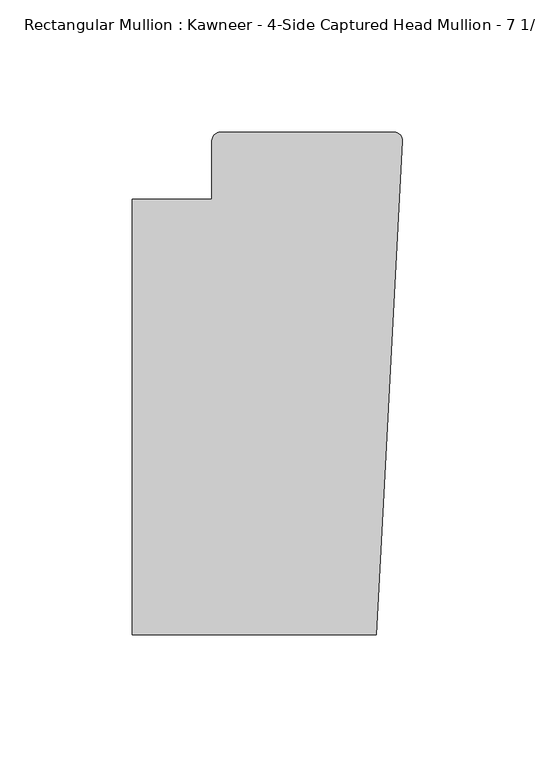
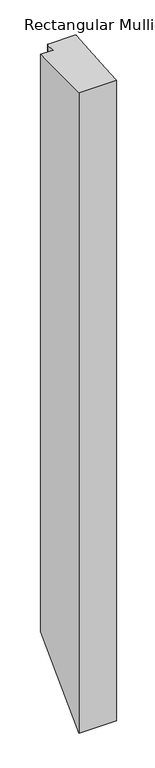
"""IFC4 building model written with IfcOpenShell, lengths in millimetres: member geometry."""

from ifc_helpers import new_model, si_unit, frame, origin, place, context, project, spatial, circle_curve, ellipse_curve, source, transform, mapped, element, save
from ifc_brep_helpers import plane_surface, cylinder_surface, advanced_brep


def member_913ac109(model_context):
    return source(origin(), model_context, "Body", "AdvancedBrep", [
        advanced_brep(
        [(-9.7860662, -151.892, 0.0), (-6.9873394, -98.4891117, 0.0), (-0.0041105, 34.7588278, 0.0), (-3.175, 38.0999944, 0.0), (-68.798975, 38.0999944, 0.0), (-71.9739395, 34.9099677, 0.0), (-71.9739395, 12.7, 0.0), (-102.08978, 12.7, 0.0), (-102.08978, -151.892, 0.0), (-9.7860662, -151.892, -1674.8225615), (-6.9873394, -98.4891117, -1621.4196732), (-0.0061551, 34.7198154, -1488.2107209), (-3.175, 38.0999944, -1484.830567), (-68.798975, 38.0999944, -1484.830567), (-71.9739395, 34.9099677, -1488.0205937), (-71.9739395, 12.7, -1510.2305615), (-102.08978, 12.7, -1510.2305615), (-102.08978, -151.892, -1674.8225615)],
        [
            (0, 1),
            (1, 2),
            (2, 3, circle_curve(frame((-3.175, 34.9249944, 0.0), z_axis=(0.0, 0.0, 1.0), x_axis=(0.0, 1.0, 0.0)), 3.175)),
            (3, 4),
            (4, 5, circle_curve(frame((-68.798975, 34.9249944, 0.0), z_axis=(0.0, 0.0, 1.0), x_axis=(-0.9999888001458095, -0.004732819766726053, 0.0)), 3.175)),
            (5, 6),
            (6, 7),
            (7, 8),
            (8, 0),
            (0, 9),
            (9, 10),
            (10, 1),
            (10, 11),
            (11, 2),
            (11, 12, ellipse_curve(frame((-3.175, 34.9249944, -1488.005567), z_axis=(0.0, -0.7071067811865481, 0.707106781186547), x_axis=(0.0, 0.7071067811865469, 0.707106781186548)), 4.4901281, 3.175)),
            (12, 3),
            (12, 13),
            (13, 4),
            (13, 14, ellipse_curve(frame((-68.798975, 34.9249944, -1488.005567), z_axis=(0.0, -0.7071067811865481, 0.707106781186547), x_axis=(0.0, 0.7071067811865469, 0.707106781186548)), 4.4901281, 3.175)),
            (14, 5),
            (14, 15),
            (15, 6),
            (15, 16),
            (16, 7),
            (16, 17),
            (17, 8),
            (17, 9),
        ],
        [
            plane_surface(frame((0.0, -183.0123025, 0.0), z_axis=(0.0, 0.0, 1.0), x_axis=(-1.0, 0.0, 0.0))),
            plane_surface(frame((-9.7860662, -151.892, 0.0), z_axis=(0.9986295347545738, -0.052335956242944896, 0.0), x_axis=(0.0, 0.0, -1.0))),
            plane_surface(frame((-6.9873394, -98.4891117, 0.0), z_axis=(0.9986295346400468, -0.05233595842825238, 0.0), x_axis=(0.0, 0.0, -1.0))),
            cylinder_surface(frame((-3.175, 34.9249944, 0.0), z_axis=(0.0, 0.0, 1.0), x_axis=(0.0, 1.0, 0.0)), 3.175),
            plane_surface(frame((-3.175, 38.0999944, 0.0), z_axis=(0.0, 1.0, 0.0), x_axis=(0.0, 0.0, -1.0))),
            cylinder_surface(frame((-68.798975, 34.9249944, 0.0), z_axis=(0.0, 0.0, 1.0), x_axis=(-0.9999888001458095, -0.004732819766726053, 0.0)), 3.175),
            plane_surface(frame((-71.9739395, 34.9099677, 0.0), z_axis=(-1.0, 0.0, 0.0), x_axis=(0.0, 0.0, -1.0))),
            plane_surface(frame((-71.9739395, 12.7, 0.0), z_axis=(0.0, 1.0, 0.0), x_axis=(0.0, 0.0, -1.0))),
            plane_surface(frame((-102.08978, 12.7, 0.0), z_axis=(-1.0, 0.0, 0.0), x_axis=(0.0, 0.0, -1.0))),
            plane_surface(frame((-102.08978, -151.892, 0.0), z_axis=(0.0, -1.0, 0.0), x_axis=(0.0, 0.0, -1.0))),
            plane_surface(frame((-304.8, 0.0, -1522.9305615), z_axis=(0.0, 0.7071067811865481, -0.707106781186547), x_axis=(0.0, 0.707106781186547, 0.7071067811865481))),
        ],
        [
            (0, [[1, 2, 3, 4, 5, 6, 7, 8, 9]]),
            (1, [[-1, 10, 11, 12]]),
            (2, [[-2, -12, 13, 14]]),
            (3, [[-3, -14, 15, 16]]),
            (4, [[-4, -16, 17, 18]]),
            (5, [[-5, -18, 19, 20]]),
            (6, [[-6, -20, 21, 22]]),
            (7, [[-7, -22, 23, 24]]),
            (8, [[-8, -24, 25, 26]]),
            (9, [[-9, -26, 27, -10]]),
            (10, [[-27, -25, -23, -21, -19, -17, -15, -13, -11]]),
        ],
    ),
    ])


if __name__ == "__main__":
    model = new_model("IFC4")
    model_context = context("Model", 3, world=origin())
    ifc_project = project(units=[si_unit("LENGTHUNIT", "METRE", prefix="MILLI")], contexts=[model_context])
    site = spatial("IfcSite", under=ifc_project)
    building = spatial("IfcBuilding", under=site)
    placement = place(None, origin())
    member_shape = member_913ac109(model_context)
    element("IfcMember", 1, ObjectType="Rectangular Mullion : Kawneer - 4-Side Captured Head Mullion - 7 1/2\"", at=placement, inside=building, context=model_context, shape_type="MappedRepresentation", body=[
        mapped(member_shape, transform((0.0, 0.0, 0.0), x_axis=(1.0, 0.0, 0.0), y_axis=(0.0, 1.0, 0.0), z_axis=(0.0, 0.0, 1.0))),
    ])
    save(model, "model.ifc")
